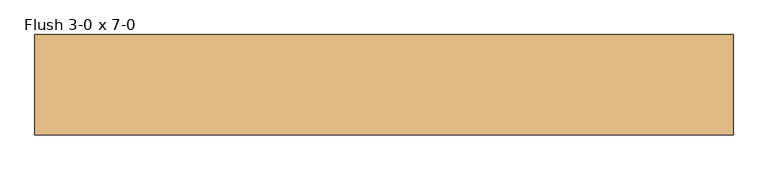
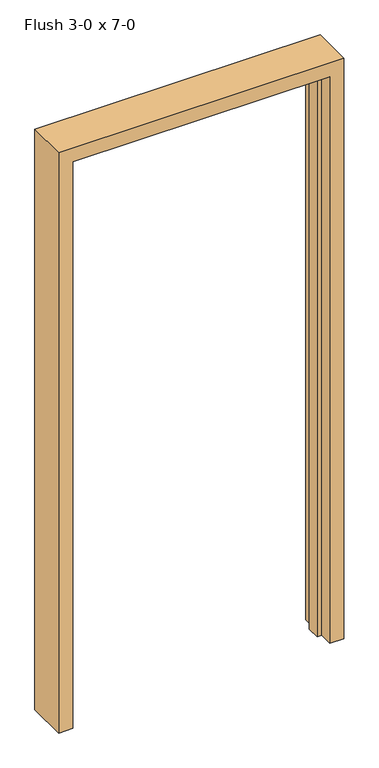
"""IFC4 building model written with IfcOpenShell, lengths in millimetres: door geometry, Flush 3-0 x 7-0."""

from ifc_helpers import new_model, si_unit, frame, origin, place, context, project, spatial, polyline, outline, extrude, source, transform, mapped, element, save


def flush_3_0_x_7_0_374a0299(model_context):
    return source(origin(), model_context, "Body", "SweptSolid", [
        extrude(outline(polyline([(0.0, 441.325), (0.0, 457.2), (2133.6, 457.2), (2133.6, -457.2), (0.0, -457.2), (0.0, -441.325), (2117.725, -441.325), (2117.725, 441.325), (0.0, 441.325)])), frame((0.0, -15.875, 0.0), z_axis=(0.0, 1.0, 0.0), x_axis=(0.0, 0.0, 1.0)), (0.0, 0.0, 1.0), 47.625),
        extrude(outline(polyline([(0.0, 457.2), (0.0, 508.0), (2184.4, 508.0), (2184.4, -508.0), (0.0, -508.0), (0.0, -457.2), (2133.6, -457.2), (2133.6, 457.2), (0.0, 457.2)])), frame((0.0, -65.0875, 0.0), z_axis=(0.0, 1.0, 0.0), x_axis=(0.0, 0.0, 1.0)), (0.0, 0.0, 1.0), 146.05),
    ])


if __name__ == "__main__":
    model = new_model("IFC4")
    model_context = context("Model", 3, world=origin())
    ifc_project = project(units=[si_unit("LENGTHUNIT", "METRE", prefix="MILLI")], contexts=[model_context])
    site = spatial("IfcSite", under=ifc_project)
    building = spatial("IfcBuilding", under=site)
    placement = place(None, origin())
    flush_3_0_x_7_0_shape = flush_3_0_x_7_0_374a0299(model_context)
    element("IfcDoor", 1, ObjectType="Flush 3-0 x 7-0", at=placement, inside=building, context=model_context, shape_type="MappedRepresentation", body=[
        mapped(flush_3_0_x_7_0_shape, transform((0.0, 0.0, 0.0), x_axis=(1.0, 0.0, 0.0), y_axis=(0.0, 1.0, 0.0), z_axis=(0.0, 0.0, 1.0))),
    ])
    save(model, "model.ifc")
